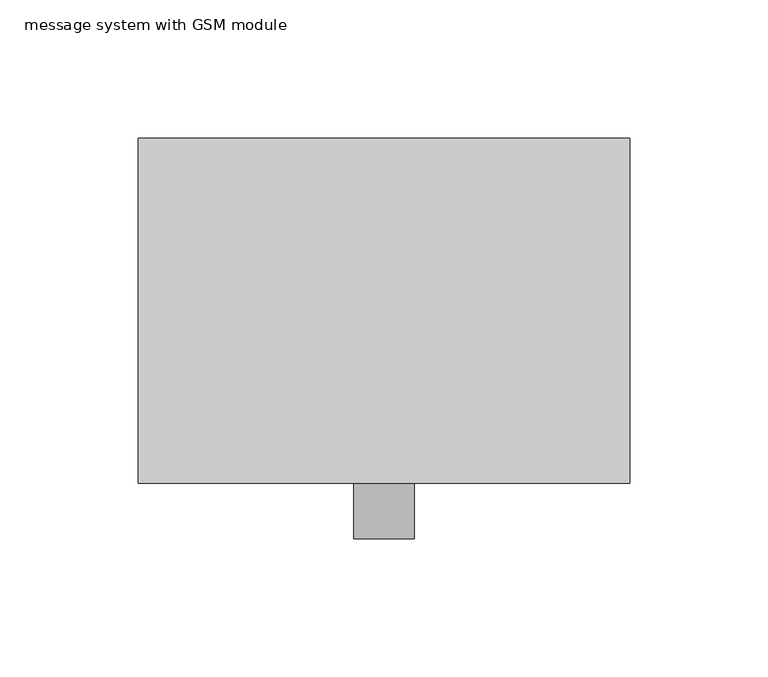
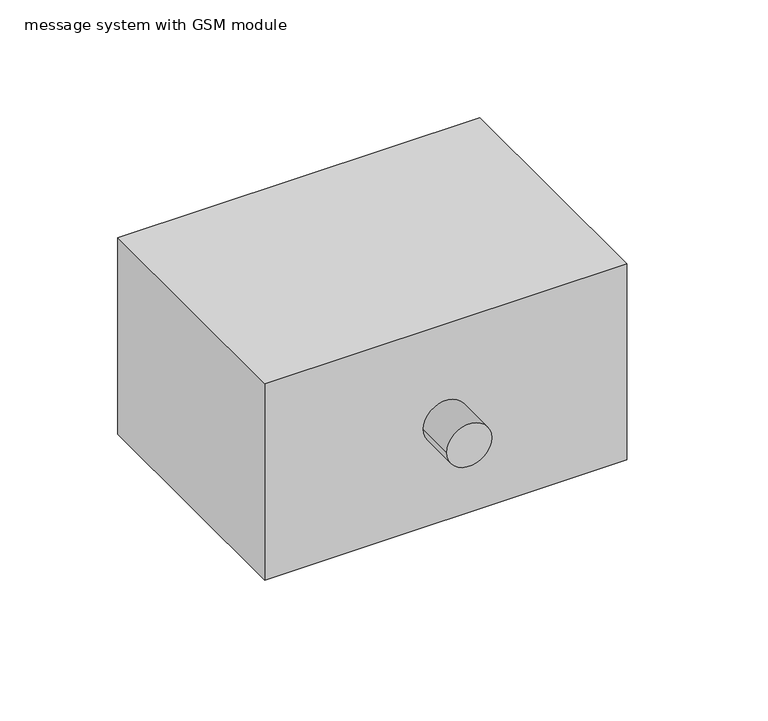
"""IFC4 building model written with IfcOpenShell, lengths in millimetres: proxy geometry, message system with GSM module."""

from ifc_helpers import new_model, si_unit, frame, origin, place, context, project, spatial, circle_curve, source, transform, mapped, element, save
from ifc_brep_helpers import plane_surface, cylinder_surface, advanced_brep


def message_system_with_gsm_module_9e46706c(model_context):
    return source(origin(), model_context, "Body", "AdvancedBrep", [
        advanced_brep(
        [(-11.0, -82.5, 51.0), (11.0, -82.5, 51.0), (11.0, -62.5, 51.0), (-11.0, -62.5, 51.0), (89.0, 62.5, 102.0), (-89.0, 62.5, 102.0), (-89.0, -62.5, 102.0), (89.0, -62.5, 102.0), (89.0, 62.5, 0.0), (89.0, -62.5, 0.0), (-89.0, -62.5, 0.0), (-89.0, 62.5, 0.0)],
        [
            (0, 1, circle_curve(frame((0.0, -82.5, 51.0), z_axis=(0.0, -1.0, 0.0), x_axis=(1.0, 0.0, 0.0)), 11.0)),
            (1, 0, circle_curve(frame((0.0, -82.5, 51.0), z_axis=(0.0, -1.0, 0.0), x_axis=(1.0, 0.0, 0.0)), 11.0)),
            (1, 2),
            (2, 3, circle_curve(frame((0.0, -62.5, 51.0), z_axis=(0.0, -1.0, 0.0), x_axis=(1.0, 0.0, 0.0)), 11.0)),
            (3, 0),
            (3, 2, circle_curve(frame((0.0, -62.5, 51.0), z_axis=(0.0, -1.0, 0.0), x_axis=(1.0, 0.0, 0.0)), 11.0)),
            (4, 5),
            (5, 6),
            (6, 7),
            (7, 4),
            (8, 9),
            (9, 10),
            (10, 11),
            (11, 8),
            (4, 8),
            (11, 5),
            (10, 6),
            (9, 7),
        ],
        [
            plane_surface(frame((0.0, -82.5, 51.0), z_axis=(0.0, -1.0, 0.0), x_axis=(0.0, 0.0, 1.0))),
            cylinder_surface(frame((0.0, -62.5, 51.0), z_axis=(0.0, 1.0, 0.0), x_axis=(1.0, 0.0, 0.0)), 11.0),
            plane_surface(frame((-89.0, 62.5, 102.0), z_axis=(0.0, 0.0, 1.0), x_axis=(-1.0, 0.0, 0.0))),
            plane_surface(frame((-89.0, 62.5, 0.0), z_axis=(0.0, 0.0, -1.0), x_axis=(1.0, 0.0, 0.0))),
            plane_surface(frame((89.0, 62.5, 102.0), z_axis=(0.0, 1.0, 0.0), x_axis=(0.0, 0.0, -1.0))),
            plane_surface(frame((-89.0, 62.5, 102.0), z_axis=(-1.0, 0.0, 0.0), x_axis=(0.0, 0.0, -1.0))),
            plane_surface(frame((-89.0, -62.5, 102.0), z_axis=(0.0, -1.0, 0.0), x_axis=(0.0, 0.0, -1.0))),
            plane_surface(frame((89.0, -62.5, 102.0), z_axis=(1.0, 0.0, 0.0), x_axis=(0.0, 0.0, -1.0))),
        ],
        [
            (0, [[1, 2]]),
            (1, [[-2, 3, 4, 5]]),
            (1, [[-1, -5, 6, -3]]),
            (2, [[7, 8, 9, 10]]),
            (3, [[11, 12, 13, 14]]),
            (4, [[-7, 15, -14, 16]]),
            (5, [[-8, -16, -13, 17]]),
            (6, [[-9, -17, -12, 18], [-4, -6]]),
            (7, [[-10, -18, -11, -15]]),
        ],
    ),
    ])


if __name__ == "__main__":
    model = new_model("IFC4")
    model_context = context("Model", 3, world=origin())
    ifc_project = project(units=[si_unit("LENGTHUNIT", "METRE", prefix="MILLI")], contexts=[model_context])
    site = spatial("IfcSite", under=ifc_project)
    building = spatial("IfcBuilding", under=site)
    placement = place(None, origin())
    message_system_with_gsm_module_shape = message_system_with_gsm_module_9e46706c(model_context)
    element("IfcBuildingElementProxy", 1, Name="message system with GSM module", ObjectType="message system with GSM module", at=placement, inside=building, context=model_context, shape_type="MappedRepresentation", body=[
        mapped(message_system_with_gsm_module_shape, transform((0.0, 0.0, 0.0), x_axis=(1.0, 0.0, 0.0), y_axis=(0.0, 1.0, 0.0), z_axis=(0.0, 0.0, 1.0))),
    ])
    save(model, "model.ifc")
